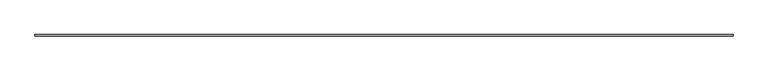
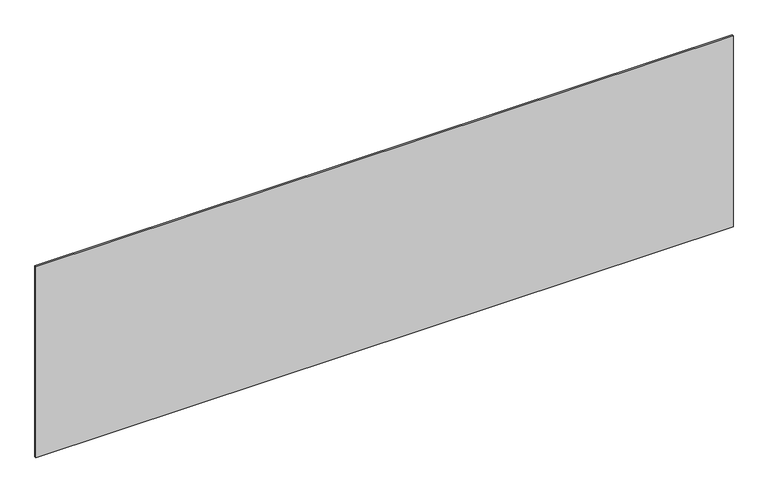
"""IFC4 building model written with IfcOpenShell, lengths in millimetres: plate geometry."""

from ifc_helpers import new_model, si_unit, origin, origin_with_axes, place, context, project, spatial, polyline, outline, extrude, source, transform, mapped, element, save


def plate_5fce4ca5(model_context):
    return source(origin(), model_context, "Body", "SweptSolid", [
        extrude(outline(polyline([(2281.6666667, -5.0), (-2281.6666667, -5.0), (-2281.6666667, 5.0), (2281.6666667, 5.0), (2281.6666667, -5.0)])), origin_with_axes(), (0.0, 0.0, 1.0), 1322.2777309),
    ])


if __name__ == "__main__":
    model = new_model("IFC4")
    model_context = context("Model", 3, world=origin())
    ifc_project = project(units=[si_unit("LENGTHUNIT", "METRE", prefix="MILLI")], contexts=[model_context])
    site = spatial("IfcSite", under=ifc_project)
    building = spatial("IfcBuilding", under=site)
    placement = place(None, origin())
    plate_shape = plate_5fce4ca5(model_context)
    element("IfcPlate", 1, at=placement, inside=building, context=model_context, shape_type="MappedRepresentation", body=[
        mapped(plate_shape, transform((0.0, 0.0, 0.0), x_axis=(1.0, 0.0, 0.0), y_axis=(0.0, 1.0, 0.0), z_axis=(0.0, 0.0, 1.0))),
    ])
    save(model, "model.ifc")
